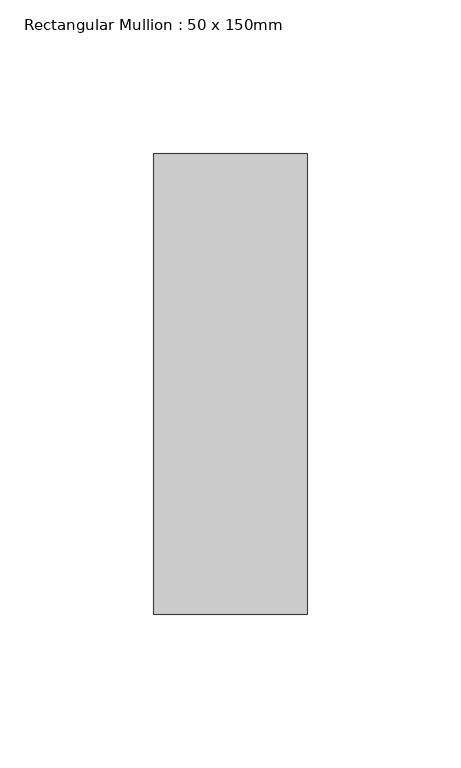
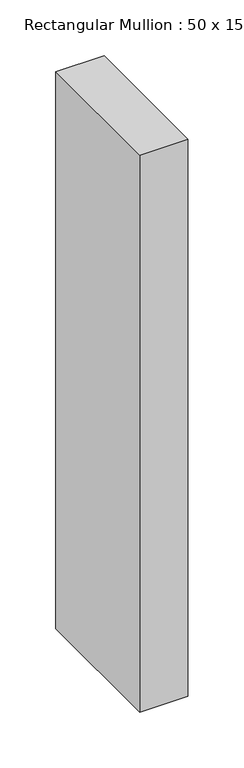
"""IFC4 building model written with IfcOpenShell, lengths in millimetres: member geometry, Rectangular Mullion : 50 x 150mm."""

from ifc_helpers import new_model, si_unit, frame, origin, place, context, project, spatial, polyline, outline, extrude, source, transform, mapped, element, save


def rectangular_mullion_50_x_150mm_8b4171dd(model_context):
    return source(origin(), model_context, "Body", "SweptSolid", [
        extrude(outline(polyline([(25.0, 75.0), (25.0, -75.0), (-25.0, -75.0), (-25.0, 75.0), (25.0, 75.0)])), frame((0.0, 0.0, -609.0), z_axis=(0.0, 0.0, 1.0), x_axis=(1.0, 0.0, 0.0)), (0.0, 0.0, 1.0), 609.0),
    ])


if __name__ == "__main__":
    model = new_model("IFC4")
    model_context = context("Model", 3, world=origin())
    ifc_project = project(units=[si_unit("LENGTHUNIT", "METRE", prefix="MILLI")], contexts=[model_context])
    site = spatial("IfcSite", under=ifc_project)
    building = spatial("IfcBuilding", under=site)
    placement = place(None, origin())
    rectangular_mullion_50_x_150mm_shape = rectangular_mullion_50_x_150mm_8b4171dd(model_context)
    element("IfcMember", 1, ObjectType="Rectangular Mullion : 50 x 150mm", at=placement, inside=building, context=model_context, shape_type="MappedRepresentation", body=[
        mapped(rectangular_mullion_50_x_150mm_shape, transform((0.0, 0.0, 0.0), x_axis=(1.0, 0.0, 0.0), y_axis=(0.0, 1.0, 0.0), z_axis=(0.0, 0.0, 1.0))),
    ])
    save(model, "model.ifc")
